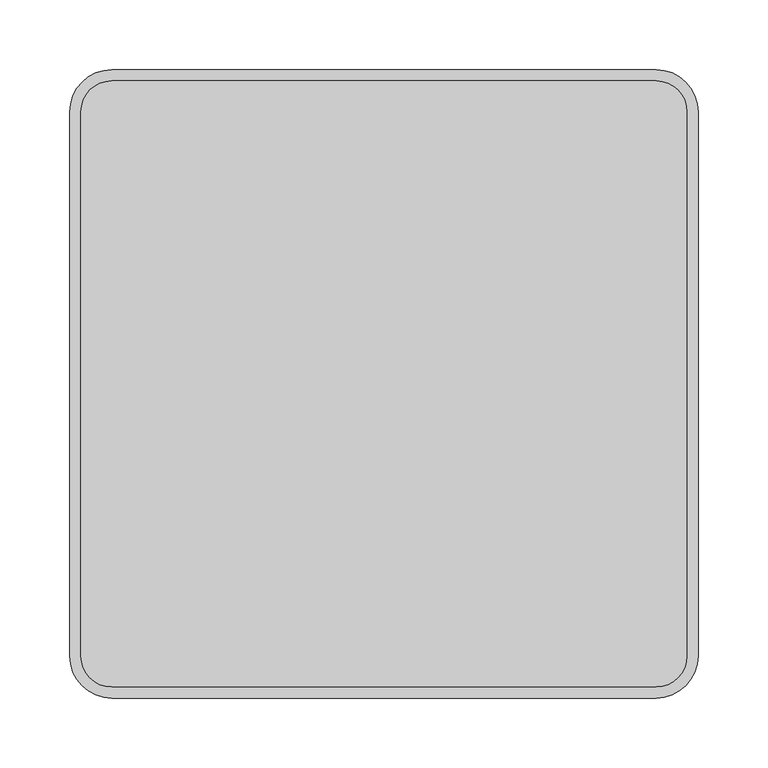
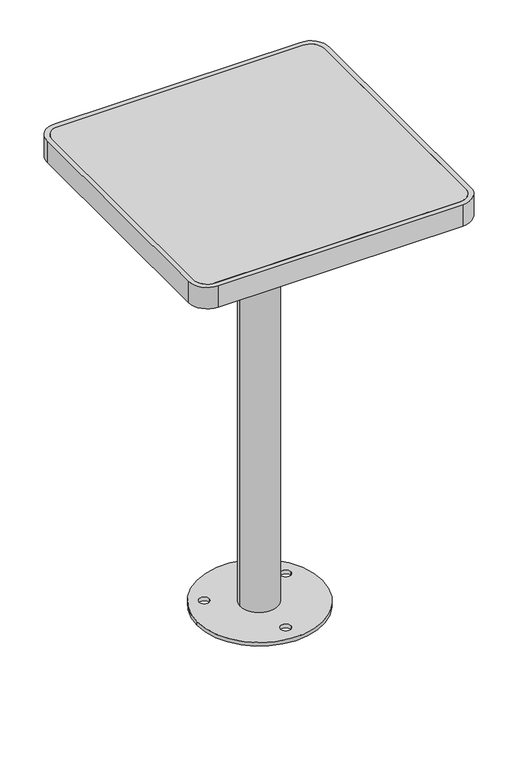
"""IFC4 building model written with IfcOpenShell, lengths in millimetres: furniture geometry."""

from ifc_helpers import new_model, si_unit, point, frame, frame_2d, origin, origin_with_axes, origin_2d, place, context, project, spatial, polyline, circle_curve, trimmed, segment, composite_curve, outline, extrude, source, transform, mapped, element, save


def furniture_d9f8331e(model_context):
    return source(origin(), model_context, "Body", "SweptSolid", [
        extrude(outline(composite_curve([segment(trimmed(circle_curve(frame_2d((0.0794368, -1.903781)), 100.0), [point((-99.9205632, -1.903781))], [point((100.0794368, -1.903781))], False, "CARTESIAN"), True, "CONTINUOUS"), segment(trimmed(circle_curve(frame_2d((0.0794368, -1.903781)), 100.0), [point((100.0794368, -1.903781))], [point((-99.9205632, -1.903781))], False, "CARTESIAN"), True, "CONTINUOUS")], self_intersect=False), holes=[composite_curve([segment(trimmed(circle_curve(frame_2d((-65.4754407, 37.568682)), 8.0), [point((-73.4754407, 37.568682))], [point((-57.4754407, 37.568682))], True, "CARTESIAN"), True, "CONTINUOUS"), segment(trimmed(circle_curve(frame_2d((-65.4754407, 37.568682)), 8.0), [point((-57.4754407, 37.568682))], [point((-73.4754407, 37.568682))], True, "CARTESIAN"), True, "CONTINUOUS")], self_intersect=False), composite_curve([segment(trimmed(circle_curve(frame_2d((64.342408, 37.417611)), 8.0), [point((72.342408, 37.417611))], [point((56.342408, 37.417611))], True, "CARTESIAN"), True, "CONTINUOUS"), segment(trimmed(circle_curve(frame_2d((64.342408, 37.417611)), 8.0), [point((56.342408, 37.417611))], [point((72.342408, 37.417611))], True, "CARTESIAN"), True, "CONTINUOUS")], self_intersect=False), composite_curve([segment(trimmed(circle_curve(frame_2d((-0.6630478, -74.9655807)), 8.0), [point((-8.6630478, -74.9655807))], [point((7.3369522, -74.9655807))], True, "CARTESIAN"), True, "CONTINUOUS"), segment(trimmed(circle_curve(frame_2d((-0.6630478, -74.9655807)), 8.0), [point((7.3369522, -74.9655807))], [point((-8.6630478, -74.9655807))], True, "CARTESIAN"), True, "CONTINUOUS")], self_intersect=False)]), origin_with_axes(), (0.0, 0.0, 1.0), 6.0),
        extrude(outline(composite_curve([segment(trimmed(circle_curve(frame_2d((-195.0, 195.0)), 22.0), [point((-217.0, 195.0))], [point((-195.0, 217.0))], False, "CARTESIAN"), True, "CONTINUOUS"), segment(polyline([(-195.0, 217.0), (195.0, 217.0)]), True, "CONTINUOUS"), segment(trimmed(circle_curve(frame_2d((195.0, 195.0)), 22.0), [point((195.0, 217.0))], [point((217.0, 195.0))], False, "CARTESIAN"), True, "CONTINUOUS"), segment(polyline([(217.0, 195.0), (217.0, -195.0)]), True, "CONTINUOUS"), segment(trimmed(circle_curve(frame_2d((195.0, -195.0)), 22.0), [point((217.0, -195.0))], [point((195.0, -217.0))], False, "CARTESIAN"), True, "CONTINUOUS"), segment(polyline([(195.0, -217.0), (-195.0, -217.0)]), True, "CONTINUOUS"), segment(trimmed(circle_curve(frame_2d((-195.0, -195.0)), 22.0), [point((-195.0, -217.0))], [point((-217.0, -195.0))], False, "CARTESIAN"), True, "CONTINUOUS"), segment(polyline([(-217.0, -195.0), (-217.0, 195.0)]), True, "CONTINUOUS")], self_intersect=False)), frame((0.0, 0.0, 737.0), z_axis=(0.0, 0.0, 1.0), x_axis=(1.0, 0.0, 0.0)), (0.0, 0.0, 1.0), 3.0),
        extrude(outline(polyline([(-217.0, 55.0), (217.0, 55.0), (217.0, -55.0), (-217.0, -55.0), (-217.0, 55.0)])), frame((0.0, 0.0, 712.0), z_axis=(0.0, 0.0, 1.0), x_axis=(1.0, 0.0, 0.0)), (0.0, 0.0, 1.0), 8.0),
        extrude(outline(composite_curve([segment(polyline([(-225.0, -195.0), (-225.0, 195.0)]), True, "CONTINUOUS"), segment(trimmed(circle_curve(frame_2d((-195.0, 195.0)), 30.0), [point((-225.0, 195.0))], [point((-195.0, 225.0))], False, "CARTESIAN"), True, "CONTINUOUS"), segment(polyline([(-195.0, 225.0), (195.0, 225.0)]), True, "CONTINUOUS"), segment(trimmed(circle_curve(frame_2d((195.0, 195.0)), 30.0), [point((195.0, 225.0))], [point((225.0, 195.0))], False, "CARTESIAN"), True, "CONTINUOUS"), segment(polyline([(225.0, 195.0), (225.0, -195.0)]), True, "CONTINUOUS"), segment(trimmed(circle_curve(frame_2d((195.0, -195.0)), 30.0), [point((225.0, -195.0))], [point((195.0, -225.0))], False, "CARTESIAN"), True, "CONTINUOUS"), segment(polyline([(195.0, -225.0), (-195.0, -225.0)]), True, "CONTINUOUS"), segment(trimmed(circle_curve(frame_2d((-195.0, -195.0)), 30.0), [point((-195.0, -225.0))], [point((-225.0, -195.0))], False, "CARTESIAN"), True, "CONTINUOUS")], self_intersect=False), holes=[composite_curve([segment(polyline([(-217.0, 195.0), (-217.0, -195.0)]), True, "CONTINUOUS"), segment(trimmed(circle_curve(frame_2d((-195.0, -195.0)), 22.0), [point((-217.0, -195.0))], [point((-195.0, -217.0))], True, "CARTESIAN"), True, "CONTINUOUS"), segment(polyline([(-195.0, -217.0), (195.0, -217.0)]), True, "CONTINUOUS"), segment(trimmed(circle_curve(frame_2d((195.0, -195.0)), 22.0), [point((195.0, -217.0))], [point((217.0, -195.0))], True, "CARTESIAN"), True, "CONTINUOUS"), segment(polyline([(217.0, -195.0), (217.0, 195.0)]), True, "CONTINUOUS"), segment(trimmed(circle_curve(frame_2d((195.0, 195.0)), 22.0), [point((217.0, 195.0))], [point((195.0, 217.0))], True, "CARTESIAN"), True, "CONTINUOUS"), segment(polyline([(195.0, 217.0), (-195.0, 217.0)]), True, "CONTINUOUS"), segment(trimmed(circle_curve(frame_2d((-195.0, 195.0)), 22.0), [point((-195.0, 217.0))], [point((-217.0, 195.0))], True, "CARTESIAN"), True, "CONTINUOUS")], self_intersect=False)]), frame((0.0, 0.0, 704.0), z_axis=(0.0, 0.0, 1.0), x_axis=(1.0, 0.0, 0.0)), (0.0, 0.0, 1.0), 36.0),
        extrude(outline(composite_curve([segment(trimmed(circle_curve(origin_2d(), 30.0), [point((-30.0, 0.0))], [point((30.0, 0.0))], False, "CARTESIAN"), True, "CONTINUOUS"), segment(trimmed(circle_curve(origin_2d(), 30.0), [point((30.0, 0.0))], [point((-30.0, 0.0))], False, "CARTESIAN"), True, "CONTINUOUS")], self_intersect=False)), frame((0.0, 0.0, 6.0), z_axis=(0.0, 0.0, 1.0), x_axis=(1.0, 0.0, 0.0)), (0.0, 0.0, 1.0), 706.0),
    ])


if __name__ == "__main__":
    model = new_model("IFC4")
    model_context = context("Model", 3, world=origin())
    ifc_project = project(units=[si_unit("LENGTHUNIT", "METRE", prefix="MILLI")], contexts=[model_context])
    site = spatial("IfcSite", under=ifc_project)
    building = spatial("IfcBuilding", under=site)
    placement = place(None, origin())
    furniture_shape = furniture_d9f8331e(model_context)
    element("IfcFurniture", 1, at=placement, inside=building, context=model_context, shape_type="MappedRepresentation", body=[
        mapped(furniture_shape, transform((0.0, 0.0, 0.0), x_axis=(1.0, 0.0, 0.0), y_axis=(0.0, 1.0, 0.0), z_axis=(0.0, 0.0, 1.0))),
    ])
    save(model, "model.ifc")
